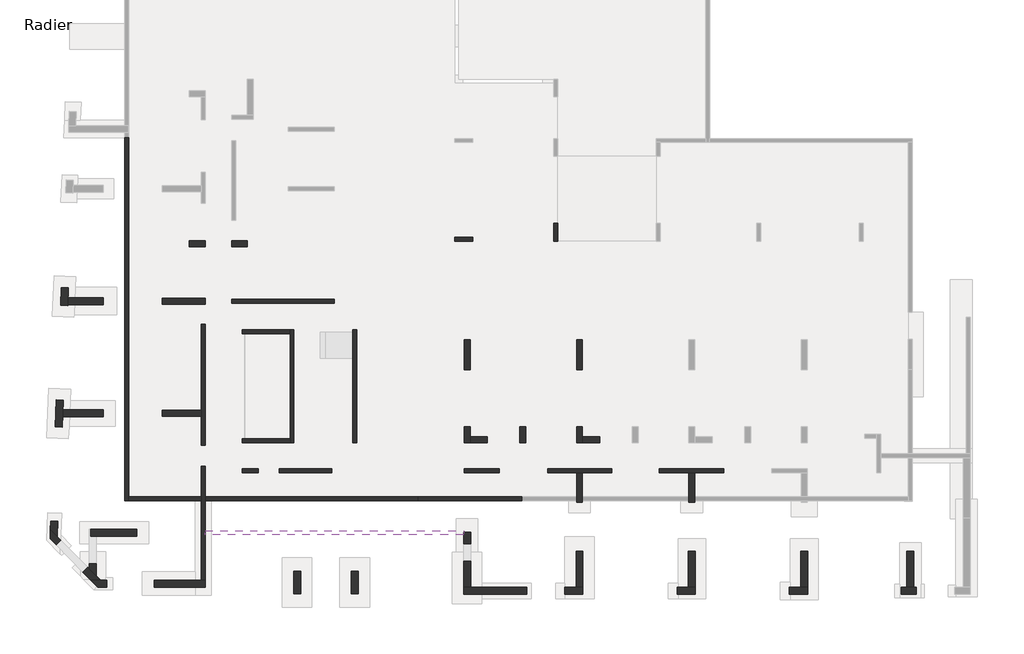
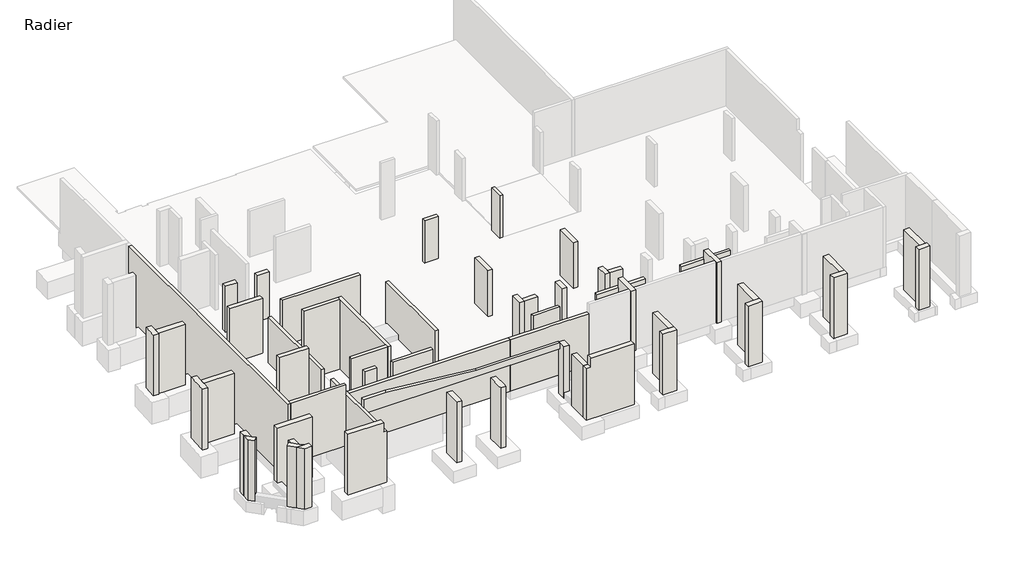
# One storey, part 1 of 4: 56 walls.
"""IFC4 building model written with IfcOpenShell, lengths in millimetres."""

import ifcopenshell
import ifcopenshell.guid

model = None  # the IFC model being written
_history = None  # IfcOwnerHistory: only IFC2X3 demands one
_inside = {}  # id of a spatial element -> (the spatial element, [elements in it])
_under = {}  # id of a project, library or spatial element -> (it, [spatial elements below it])
_declared = {}  # id of a project -> (the project, [libraries it declares])
_typed = {}  # id of a type object -> (the type object, [elements of that type])
_made_of = {}  # id of a material, layer set ... -> (it, [elements and type objects made of it])


def new_model(schema):
    """Start an empty IFC model of exactly this schema.

    Asked for "IFC4X3", IfcOpenShell would pick the latest addendum, in which some entities
    have other attributes; the version numbers below select the first issue.
    IFC2X3 requires an IfcOwnerHistory on every rooted entity: one is made here for all.
    """
    global model, _history
    if schema == "IFC4X3":
        model = ifcopenshell.file(schema_version=(4, 3, 0, 0))
    else:
        model = ifcopenshell.file(schema=schema)
    _inside.clear()
    _under.clear()
    _declared.clear()
    _typed.clear()
    _made_of.clear()
    _history = None
    if model.schema == "IFC2X3":
        org = make("IfcOrganization", Name="unknown")
        user = make(
            "IfcPersonAndOrganization",
            ThePerson=make("IfcPerson", FamilyName="unknown"),
            TheOrganization=org,
        )
        app = make(
            "IfcApplication",
            ApplicationDeveloper=org,
            Version="unknown",
            ApplicationFullName="unknown",
            ApplicationIdentifier="unknown",
        )
        _history = make(
            "IfcOwnerHistory",
            OwningUser=user,
            OwningApplication=app,
            ChangeAction="ADDED",
            CreationDate=0,
        )
    return model


def make(cls, **values):
    """One entity of the class cls with the attributes given. An attribute that is None is left unset."""
    return model.create_entity(
        cls, **{name: value for name, value in values.items() if value is not None}
    )


def rooted(cls, **values):
    """An entity with a GlobalId (a new one), such as an element, a storey or a relation."""
    return make(cls, GlobalId=ifcopenshell.guid.new(), OwnerHistory=_history, **values)


def si_unit(unit_type, name, prefix=None):
    """IfcSIUnit, for example si_unit("LENGTHUNIT", "METRE", prefix="MILLI")."""
    return make("IfcSIUnit", UnitType=unit_type, Prefix=prefix, Name=name)


def assignment(units):
    """IfcUnitAssignment: the units of a project."""
    return None if units is None else make("IfcUnitAssignment", Units=units)


def point(xyz):
    """IfcCartesianPoint."""
    return None if xyz is None else make("IfcCartesianPoint", Coordinates=xyz)


def direction(xyz):
    """IfcDirection."""
    return None if xyz is None else make("IfcDirection", DirectionRatios=xyz)


def frame(location, z_axis=None, x_axis=None):
    """IfcAxis2Placement3D, a coordinate frame: its origin and axes. An axis left out is left unset."""
    return make(
        "IfcAxis2Placement3D",
        Location=point(location),
        Axis=direction(z_axis),
        RefDirection=direction(x_axis),
    )


def origin():
    """The frame at (0, 0, 0) with its axes left unset."""
    return frame((0.0, 0.0, 0.0))


def place(relative_to, where):
    """IfcLocalPlacement: puts the frame where relative to a parent placement (None: the world)."""
    return make(
        "IfcLocalPlacement", PlacementRelTo=relative_to, RelativePlacement=where
    )


def context(
    kind, dimensions, precision=None, world=None, true_north=None, identifier=None
):
    """IfcGeometricRepresentationContext, for example the 3D "Model" context."""
    return make(
        "IfcGeometricRepresentationContext",
        ContextIdentifier=identifier,
        ContextType=kind,
        CoordinateSpaceDimension=dimensions,
        Precision=precision,
        WorldCoordinateSystem=world,
        TrueNorth=true_north,
    )


def project(units=None, contexts=None):
    """IfcProject with its units and contexts."""
    return rooted(
        "IfcProject",
        Name="project",
        RepresentationContexts=contexts,
        UnitsInContext=assignment(units),
    )


def spatial(cls, under=None, at=None, **own):
    """A site, building, storey or space (cls), placed at a placement, below another one or the project."""
    s = rooted(cls, ObjectPlacement=at, **own)
    if under is not None:
        _under.setdefault(under.id(), (under, []))[1].append(s)
    return s


def polyline(points):
    """IfcPolyline through the points."""
    return make("IfcPolyline", Points=[point(p) for p in points])


def outline(outer, holes=None, kind="AREA"):
    """IfcArbitraryClosedProfileDef: a profile drawn as a closed curve; with holes, ...WithVoids."""
    if holes is None:
        return make("IfcArbitraryClosedProfileDef", ProfileType=kind, OuterCurve=outer)
    return make(
        "IfcArbitraryProfileDefWithVoids",
        ProfileType=kind,
        OuterCurve=outer,
        InnerCurves=holes,
    )


def extrude(swept, where, along, depth):
    """IfcExtrudedAreaSolid: the profile swept, set in the frame where, extruded along a direction by depth."""
    return make(
        "IfcExtrudedAreaSolid",
        SweptArea=swept,
        Position=where,
        ExtrudedDirection=direction(along),
        Depth=depth,
    )


def faces_of(points, faces, orient=None, outer=None):
    """IfcFace entities. A face is a list of loops; a loop is a list of indices into points, from 0.

    orient and outer hold one flag for each loop. By default every Orientation is true, the
    first loop of a face is its IfcFaceOuterBound and the others are IfcFaceBound.
    """
    made = []
    for i, loops in enumerate(faces):
        bounds = []
        for j, loop in enumerate(loops):
            is_outer = j == 0 if outer is None else outer[i][j]
            bounds.append(
                make(
                    "IfcFaceOuterBound" if is_outer else "IfcFaceBound",
                    Bound=make("IfcPolyLoop", Polygon=[points[k] for k in loop]),
                    Orientation=True if orient is None else orient[i][j],
                )
            )
        made.append(make("IfcFace", Bounds=bounds))
    return made


def faceted_brep(points, faces, orient=None, outer=None, voids=None):
    """IfcFacetedBrep: a solid bounded by flat faces; with voids (closed shells), ...WithVoids."""
    shared = [point(p) for p in points]
    hull = make("IfcClosedShell", CfsFaces=faces_of(shared, faces, orient, outer))
    if voids is None:
        return make("IfcFacetedBrep", Outer=hull)
    return make(
        "IfcFacetedBrepWithVoids",
        Outer=hull,
        Voids=[
            make(cls, CfsFaces=faces_of(shared, fs, o, b)) for cls, fs, o, b in voids
        ],
    )


def shape(context_of_items, identifier, shape_type, items):
    """IfcShapeRepresentation: the items that make up one representation, for example the "Body"."""
    return make(
        "IfcShapeRepresentation",
        ContextOfItems=context_of_items,
        RepresentationIdentifier=identifier,
        RepresentationType=shape_type,
        Items=items,
    )


def made_of(thing, what):
    """Note that an element or type object is made of a material, layer set ...; save() writes the relation."""
    if what is not None:
        _made_of.setdefault(what.id(), (what, []))[1].append(thing)
    return thing


def element(
    cls,
    number,
    at=None,
    inside=None,
    cuts=None,
    type_object=None,
    material=None,
    context=None,
    identifier="Body",
    shape_type=None,
    held_by="IfcProductDefinitionShape",
    body=None,
    shapes=None,
    **own,
):
    """One element of the class cls, such as IfcWall. Its Tag is "e" and its number.

    at: its placement. inside: the storey or other place that contains it. cuts: it is an
    opening in that element (IfcRelVoidsElement). A single representation is given by context,
    identifier, shape_type and body (its items); several are given by shapes. held_by: the class
    of the entity that holds the representations. save() writes the other relations.
    """
    e = rooted(cls, Tag="e%d" % number, ObjectPlacement=at, **own)
    if body is not None:
        shapes = [shape(context, identifier, shape_type, body)]
    if shapes is not None:
        e.Representation = make(held_by, Representations=shapes)
    if inside is not None:
        _inside.setdefault(inside.id(), (inside, []))[1].append(e)
    if cuts is not None:
        rooted(
            "IfcRelVoidsElement", RelatingBuildingElement=cuts, RelatedOpeningElement=e
        )
    if type_object is not None:
        _typed.setdefault(type_object.id(), (type_object, []))[1].append(e)
    return made_of(e, material)


def aggregate(whole, parts):
    """IfcRelAggregates: a whole, such as a stair, and the parts it consists of."""
    return rooted("IfcRelAggregates", RelatingObject=whole, RelatedObjects=parts)


def save(model, path):
    """Write the relations noted so far, then the file.

    IfcRelAggregates (storeys below a building ...), IfcRelContainedInSpatialStructure (elements
    in a storey), IfcRelDefinesByType, IfcRelAssociatesMaterial and IfcRelDeclares: one each for
    every whole, place, type object, material and project.
    """
    for whole, parts in _under.values():
        aggregate(whole, parts)
    for where, things in _inside.values():
        rooted(
            "IfcRelContainedInSpatialStructure",
            RelatedElements=things,
            RelatingStructure=where,
        )
    for kind, things in _typed.values():
        rooted("IfcRelDefinesByType", RelatedObjects=things, RelatingType=kind)
    for what, things in _made_of.values():
        rooted("IfcRelAssociatesMaterial", RelatedObjects=things, RelatingMaterial=what)
    for by, libraries in _declared.values():
        rooted("IfcRelDeclares", RelatingContext=by, RelatedDefinitions=libraries)
    model.write(path)


model = new_model("IFC4")

# Units and contexts
model_context = context("Model", 3, world=origin())
ifc_project = project(units=[si_unit("LENGTHUNIT", "METRE", prefix="MILLI")], contexts=[model_context])

# Site, building, storey
site = spatial("IfcSite", under=ifc_project)
building = spatial("IfcBuilding", under=site)
storey = spatial("IfcBuildingStorey", under=building, Name="Radier", Elevation=-3900.0)

# Walls
placement = place(None, origin())
element("IfcWall", 1, ObjectType="MHA20", at=placement, inside=storey, context=model_context, shape_type="Brep", body=[
    faceted_brep([(-36735.6912908, -18724.0672499, -4300.0), (-36735.6912908, -12949.0672499, -4300.0), (-36735.6912908, -12949.0672499, -4050.0), (-36735.6912908, -12949.0672499, -670.0), (-36735.6912908, -18724.0672499, -670.0), (-36935.6912908, -18724.0672499, -4300.0), (-36935.6912908, -18724.0672499, -670.0), (-36935.6912908, -12949.0672499, -670.0), (-36935.6912908, -12949.0672499, -4050.0), (-36935.6912908, -12949.0672499, -4300.0)], [[[0, 1, 2, 3, 4]], [[5, 6, 7, 8, 9]], [[1, 0, 5, 9]], [[3, 2, 1, 9, 8, 7]], [[4, 3, 7, 6]], [[0, 4, 6, 5]]]),
])
element("IfcWall", 2, ObjectType="MHA20", at=placement, inside=storey, context=model_context, shape_type="Brep", body=[
    faceted_brep([(-10470.6912908, -13079.0672499, -4300.0), (-13740.6912908, -13079.0672499, -4300.0), (-13740.6912908, -13079.0672499, -670.0), (-10470.6912908, -13079.0672499, -670.0), (-10470.6912908, -13279.0672499, -4300.0), (-10470.6912908, -13279.0672499, -670.0), (-13740.6912908, -13279.0672499, -670.0), (-13740.6912908, -13279.0672499, -4300.0), (-12245.6912908, -13279.0672499, -4300.0), (-11945.6912908, -13279.0672499, -4300.0)], [[[0, 1, 2, 3]], [[4, 5, 6, 7, 8, 9]], [[1, 0, 4, 9, 8, 7]], [[2, 1, 7, 6]], [[3, 2, 6, 5]], [[0, 3, 5, 4]]]),
])
element("IfcWall", 3, ObjectType="MHA20", at=placement, inside=storey, context=model_context, shape_type="Brep", body=[
    faceted_brep([(-16160.6912908, -13079.0672499, -4300.0), (-19380.6912908, -13079.0672499, -4300.0), (-19380.6912908, -13079.0672499, -670.0), (-16160.6912908, -13079.0672499, -670.0), (-16160.6912908, -13279.0672499, -4300.0), (-16160.6912908, -13279.0672499, -670.0), (-19380.6912908, -13279.0672499, -670.0), (-19380.6912908, -13279.0672499, -4300.0), (-17935.6912908, -13279.0672499, -4300.0), (-17635.6912908, -13279.0672499, -4300.0)], [[[0, 1, 2, 3]], [[4, 5, 6, 7, 8, 9]], [[1, 0, 4, 9, 8, 7]], [[2, 1, 7, 6]], [[3, 2, 6, 5]], [[0, 3, 5, 4]]]),
])
element("IfcWall", 4, ObjectType="MHA20", at=placement, inside=storey, context=model_context, shape_type="SweptSolid", body=[
    extrude(outline(polyline([(-23625.6912908, -13079.0672499), (-21850.6912908, -13079.0672499), (-21850.6912908, -13279.0672499), (-23625.6912908, -13279.0672499), (-23625.6912908, -13079.0672499)])), frame((0.0, 0.0, -4300.0), z_axis=(0.0, 0.0, 1.0), x_axis=(1.0, 0.0, 0.0)), (0.0, 0.0, 1.0), 3630.0),
])
element("IfcWall", 5, ObjectType="MHA20", at=placement, inside=storey, context=model_context, shape_type="Brep", body=[
    faceted_brep([(-30320.6912908, -13079.0672499, -4300.0), (-32995.6912908, -13079.0672499, -4300.0), (-32995.6912908, -13079.0672499, -4050.0), (-32995.6912908, -13079.0672499, -670.0), (-30320.6912908, -13079.0672499, -670.0), (-30320.6912908, -13279.0672499, -4300.0), (-30320.6912908, -13279.0672499, -670.0), (-32995.6912908, -13279.0672499, -670.0), (-32995.6912908, -13279.0672499, -4050.0), (-32995.6912908, -13279.0672499, -4300.0)], [[[0, 1, 2, 3, 4]], [[5, 6, 7, 8, 9]], [[1, 0, 5, 9]], [[3, 2, 1, 9, 8, 7]], [[4, 3, 7, 6]], [[0, 4, 6, 5]]]),
])
element("IfcWall", 6, ObjectType="MHA20", at=placement, inside=storey, context=model_context, shape_type="Brep", body=[
    faceted_brep([(-34865.6912908, -13279.0672499, -4300.0), (-34055.6912908, -13279.0672499, -4300.0), (-34055.6912908, -13279.0672499, -4050.0), (-34055.6912908, -13279.0672499, -670.0), (-34865.6912908, -13279.0672499, -670.0), (-34865.6912908, -13079.0672499, -4300.0), (-34865.6912908, -13079.0672499, -670.0), (-34055.6912908, -13079.0672499, -670.0), (-34055.6912908, -13079.0672499, -4050.0), (-34055.6912908, -13079.0672499, -4300.0)], [[[0, 1, 2, 3, 4]], [[5, 6, 7, 8, 9]], [[1, 0, 5, 9]], [[3, 2, 1, 9, 8, 7]], [[4, 3, 7, 6]], [[0, 4, 6, 5]]]),
])
element("IfcWall", 7, ObjectType="MHA20", at=placement, inside=storey, context=model_context, shape_type="Brep", body=[
    faceted_brep([(-29065.6912908, -11759.0672499, -4300.0), (-29065.6912908, -6039.0672499, -4300.0), (-29065.6912908, -6039.0672499, -1650.0), (-29065.6912908, -6039.0672499, -830.0), (-29065.6912908, -6039.0672499, -670.0), (-29065.6912908, -11759.0672499, -670.0), (-29265.6912908, -11759.0672499, -4300.0), (-29265.6912908, -11759.0672499, -670.0), (-29265.6912908, -6039.0672499, -670.0), (-29265.6912908, -6039.0672499, -830.0), (-29265.6912908, -6039.0672499, -1650.0), (-29265.6912908, -6039.0672499, -4300.0)], [[[0, 1, 2, 3, 4, 5]], [[6, 7, 8, 9, 10, 11]], [[1, 0, 6, 11]], [[4, 3, 2, 1, 11, 10, 9, 8]], [[5, 4, 8, 7]], [[0, 5, 7, 6]]]),
])
element("IfcWall", 8, ObjectType="MHA20", at=placement, inside=storey, context=model_context, shape_type="Brep", body=[
    faceted_brep([(-35405.6912908, -4689.0672499, -4300.0), (-30195.6912908, -4689.0672499, -4300.0), (-30195.6912908, -4689.0672499, -1650.0), (-30195.6912908, -4689.0672499, -830.0), (-30195.6912908, -4689.0672499, -670.0), (-35405.6912908, -4689.0672499, -670.0), (-35405.6912908, -4689.0672499, -4050.0), (-35405.6912908, -4489.0672499, -4300.0), (-35405.6912908, -4489.0672499, -4050.0), (-35405.6912908, -4489.0672499, -670.0), (-30195.6912908, -4489.0672499, -670.0), (-30195.6912908, -4489.0672499, -830.0), (-30195.6912908, -4489.0672499, -1650.0), (-30195.6912908, -4489.0672499, -4300.0)], [[[0, 1, 2, 3, 4, 5, 6]], [[7, 8, 9, 10, 11, 12, 13]], [[1, 0, 7, 13]], [[4, 3, 2, 1, 13, 12, 11, 10]], [[5, 4, 10, 9]], [[0, 6, 5, 9, 8, 7]]]),
])
element("IfcWall", 9, ObjectType="MHA20", at=placement, inside=storey, context=model_context, shape_type="Brep", body=[
    faceted_brep([(-32245.6912908, -11759.0672499, -5800.0), (-32245.6912908, -6044.0672499, -5800.0), (-32245.6912908, -6044.0672499, -670.0), (-32245.6912908, -11759.0672499, -670.0), (-32445.6912908, -11759.0672499, -5800.0), (-32445.6912908, -11759.0672499, -670.0), (-32445.6912908, -11559.0672499, -670.0), (-32445.6912908, -6244.0672499, -670.0), (-32445.6912908, -6044.0672499, -670.0), (-32445.6912908, -6044.0672499, -5800.0), (-32445.6912908, -6244.0672499, -5800.0), (-32445.6912908, -11559.0672499, -5800.0)], [[[0, 1, 2, 3]], [[4, 5, 6, 7, 8, 9, 10, 11]], [[1, 0, 4, 11, 10, 9]], [[3, 2, 8, 7, 6, 5]], [[0, 3, 5, 4]], [[2, 1, 9, 8]]]),
])
element("IfcWall", 10, ObjectType="MHA20", at=placement, inside=storey, context=model_context, shape_type="Brep", body=[
    faceted_brep([(-34865.6912908, -11759.0672499, -5800.0), (-32445.6912908, -11759.0672499, -5800.0), (-32445.6912908, -11759.0672499, -670.0), (-34865.6912908, -11759.0672499, -670.0), (-34865.6912908, -11759.0672499, -4050.0), (-34865.6912908, -11559.0672499, -5800.0), (-34865.6912908, -11559.0672499, -4050.0), (-34865.6912908, -11559.0672499, -670.0), (-32445.6912908, -11559.0672499, -670.0), (-32445.6912908, -11559.0672499, -5800.0), (-34745.6912908, -11559.0672499, -5800.0)], [[[0, 1, 2, 3, 4]], [[5, 6, 7, 8, 9, 10]], [[1, 0, 5, 10, 9]], [[3, 2, 8, 7]], [[0, 4, 3, 7, 6, 5]], [[2, 1, 9, 8]]]),
])
element("IfcWall", 11, ObjectType="MHA20", at=placement, inside=storey, context=model_context, shape_type="Brep", body=[
    faceted_brep([(-34865.6912908, -6244.0672499, -5800.0), (-34745.6912908, -6244.0672499, -5800.0), (-32445.6912908, -6244.0672499, -5800.0), (-32445.6912908, -6244.0672499, -670.0), (-34865.6912908, -6244.0672499, -670.0), (-34865.6912908, -6244.0672499, -4050.0), (-34865.6912908, -6044.0672499, -5800.0), (-34865.6912908, -6044.0672499, -4050.0), (-34865.6912908, -6044.0672499, -670.0), (-32445.6912908, -6044.0672499, -670.0), (-32445.6912908, -6044.0672499, -5800.0)], [[[0, 1, 2, 3, 4, 5]], [[6, 7, 8, 9, 10]], [[2, 1, 0, 6, 10]], [[4, 3, 9, 8]], [[0, 5, 4, 8, 7, 6]], [[3, 2, 10, 9]]]),
])
element("IfcWall", 12, ObjectType="MHA20", at=placement, inside=storey, context=model_context, shape_type="Brep", body=[
    faceted_brep([(-36735.6912908, -11889.0672499, -4300.0), (-36735.6912908, -5774.0672499, -4300.0), (-36735.6912908, -5774.0672499, -670.0), (-36735.6912908, -11889.0672499, -670.0), (-36735.6912908, -11889.0672499, -4050.0), (-36935.6912908, -11889.0672499, -4300.0), (-36935.6912908, -11889.0672499, -4050.0), (-36935.6912908, -11889.0672499, -670.0), (-36935.6912908, -5774.0672499, -670.0), (-36935.6912908, -5774.0672499, -4300.0), (-36935.6912908, -10129.0672499, -4300.0), (-36935.6912908, -10429.0672499, -4300.0)], [[[0, 1, 2, 3, 4]], [[5, 6, 7, 8, 9, 10, 11]], [[1, 0, 5, 11, 10, 9]], [[2, 1, 9, 8]], [[3, 2, 8, 7]], [[0, 4, 3, 7, 6, 5]]]),
])
element("IfcWall", 13, ObjectType="MHA20", at=placement, inside=storey, context=model_context, shape_type="SweptSolid", body=[
    extrude(outline(polyline([(-40605.6912908, 3675.9327501), (-40605.6912908, -14699.0672499), (-40805.6912908, -14699.0672499), (-40805.6912908, 3675.9327501), (-40605.6912908, 3675.9327501)])), frame((0.0, 0.0, -5400.0), z_axis=(0.0, 0.0, 1.0), x_axis=(1.0, 0.0, 0.0)), (0.0, 0.0, 1.0), 5380.0),
])
element("IfcWall", 14, ObjectType="MHA20", at=placement, inside=storey, context=model_context, shape_type="SweptSolid", body=[
    extrude(outline(polyline([(-36935.6912908, -14699.0672499), (-40605.6912908, -14699.0672499), (-40605.6912908, -14499.0672499), (-36935.6912908, -14499.0672499), (-36935.6912908, -14699.0672499)])), frame((0.0, 0.0, -4300.0), z_axis=(0.0, 0.0, 1.0), x_axis=(1.0, 0.0, 0.0)), (0.0, 0.0, 1.0), 4280.0),
])
element("IfcWall", 15, ObjectType="MHA20", at=placement, inside=storey, context=model_context, shape_type="Brep", body=[
    faceted_brep([(-25975.6912908, -14699.0672499, -4300.0), (-20715.6912908, -14699.0672499, -4300.0), (-20715.6912908, -14699.0672499, -670.0), (-23300.6912908, -14699.0672499, -670.0), (-23650.6912908, -14699.0672499, -670.0), (-25975.6912908, -14699.0672499, -670.0), (-25975.6912908, -14499.0672499, -4300.0), (-25975.6912908, -14499.0672499, -670.0), (-20715.6912908, -14499.0672499, -670.0), (-20715.6912908, -14499.0672499, -4300.0)], [[[0, 1, 2, 3, 4, 5]], [[6, 7, 8, 9]], [[1, 0, 6, 9]], [[2, 1, 9, 8]], [[5, 4, 3, 2, 8, 7]], [[0, 5, 7, 6]]]),
])
element("IfcWall", 16, ObjectType="MHA20", at=placement, inside=storey, context=model_context, shape_type="SweptSolid", body=[
    extrude(outline(polyline([(-25975.6912908, -14699.0672499), (-36735.6912908, -14699.0672499), (-36735.6912908, -14499.0672499), (-25975.6912908, -14499.0672499), (-25975.6912908, -14699.0672499)])), frame((0.0, 0.0, -4300.0), z_axis=(0.0, 0.0, 1.0), x_axis=(1.0, 0.0, 0.0)), (0.0, 0.0, 1.0), 3630.0),
])
element("IfcWall", 17, ObjectType="MHA20", at=placement, inside=storey, context=model_context, shape_type="Brep", body=[
    faceted_brep([(-36735.6912908, -16419.0672499, -80.0), (-36735.6912908, -16419.0672499, -1070.0), (-23650.6912908, -16419.0672499, -1070.0), (-23650.6912908, -16419.0672499, -670.0), (-29190.6912908, -16419.0672499, -670.0), (-35225.6912908, -16419.0672499, -80.0), (-36735.6912908, -16219.0672499, -1070.0), (-36735.6912908, -16219.0672499, -80.0), (-35225.6912908, -16219.0672499, -80.0), (-29190.6912908, -16219.0672499, -670.0), (-23650.6912908, -16219.0672499, -670.0), (-23650.6912908, -16219.0672499, -1070.0), (-23650.6912908, -16289.0672499, -670.0)], [[[0, 1, 2, 3, 4, 5]], [[6, 7, 8, 9, 10, 11]], [[0, 7, 6, 1]], [[2, 1, 6, 11]], [[3, 2, 11, 10, 12]], [[0, 5, 8, 7]], [[4, 3, 12, 10, 9]], [[5, 4, 9, 8]]]),
])
element("IfcWall", 18, ObjectType="MHA20", at=placement, inside=storey, context=model_context, shape_type="Brep", body=[
    faceted_brep([(-19095.6912908, -659.1017012, -4300.0), (-19095.6912908, -1559.1017012, -4300.0), (-19095.6912908, -1559.1017012, -1450.0), (-19095.6912908, -1559.1017012, -900.0), (-19095.6912908, -659.1017012, -900.0), (-19095.6912908, -659.1017012, -1450.0), (-18895.6912908, -659.1017012, -4300.0), (-18895.6912908, -659.1017012, -1450.0), (-18895.6912908, -659.1017012, -900.0), (-18895.6912908, -1559.1017012, -900.0), (-18895.6912908, -1559.1017012, -1450.0), (-18895.6912908, -1559.1017012, -4300.0), (-18895.6912908, -1359.0672499, -4300.0)], [[[0, 1, 2, 3, 4, 5]], [[6, 7, 8, 9, 10, 11, 12]], [[1, 0, 6, 12, 11]], [[3, 2, 1, 11, 10, 9]], [[4, 3, 9, 8]], [[0, 5, 4, 8, 7, 6]]]),
])
element("IfcWall", 19, ObjectType="MHA20", at=placement, inside=storey, context=model_context, shape_type="Brep", body=[
    faceted_brep([(-24095.725742, -1559.1017012, -4300.0), (-23195.725742, -1559.1017012, -4300.0), (-23195.725742, -1559.1017012, -1450.0), (-23195.725742, -1559.1017012, -900.0), (-24095.725742, -1559.1017012, -900.0), (-24095.725742, -1559.1017012, -1450.0), (-24095.725742, -1359.1017012, -4300.0), (-24095.725742, -1359.1017012, -1450.0), (-24095.725742, -1359.1017012, -900.0), (-23195.725742, -1359.1017012, -900.0), (-23195.725742, -1359.1017012, -1450.0), (-23195.725742, -1359.1017012, -4300.0)], [[[0, 1, 2, 3, 4, 5]], [[6, 7, 8, 9, 10, 11]], [[1, 0, 6, 11]], [[3, 2, 1, 11, 10, 9]], [[4, 3, 9, 8]], [[0, 5, 4, 8, 7, 6]]]),
])
element("IfcWall", 20, ObjectType="MHA30", at=placement, inside=storey, context=model_context, shape_type="SweptSolid", body=[
    extrude(outline(polyline([(-20500.6912908, -10959.0672499), (-20500.6912908, -11759.0672499), (-20800.6912908, -11759.0672499), (-20800.6912908, -10959.0672499), (-20500.6912908, -10959.0672499)])), frame((0.0, 0.0, -4300.0), z_axis=(0.0, 0.0, 1.0), x_axis=(1.0, 0.0, 0.0)), (0.0, 0.0, 1.0), 3630.0),
])
element("IfcWall", 21, ObjectType="MHA30", at=placement, inside=storey, context=model_context, shape_type="Brep", body=[
    faceted_brep([(-35405.6912908, -1844.0672499, -4300.0), (-34605.6912908, -1844.0672499, -4300.0), (-34605.6912908, -1844.0672499, -670.0), (-35405.6912908, -1844.0672499, -670.0), (-35405.6912908, -1844.0672499, -4050.0), (-35405.6912908, -1544.0672499, -4300.0), (-35405.6912908, -1544.0672499, -4050.0), (-35405.6912908, -1544.0672499, -670.0), (-34605.6912908, -1544.0672499, -670.0), (-34605.6912908, -1544.0672499, -4300.0)], [[[0, 1, 2, 3, 4]], [[5, 6, 7, 8, 9]], [[1, 0, 5, 9]], [[2, 1, 9, 8]], [[3, 2, 8, 7]], [[0, 4, 3, 7, 6, 5]]]),
])
element("IfcWall", 22, ObjectType="MHA30", at=placement, inside=storey, context=model_context, shape_type="Brep", body=[
    faceted_brep([(-36735.6912908, -1544.0672499, -4300.0), (-37535.6912908, -1544.0672499, -4300.0), (-37535.6912908, -1544.0672499, -670.0), (-36735.6912908, -1544.0672499, -670.0), (-36735.6912908, -1544.0672499, -820.0), (-36735.6912908, -1544.0672499, -4050.0), (-36735.6912908, -1844.0672499, -4300.0), (-36735.6912908, -1844.0672499, -4050.0), (-36735.6912908, -1844.0672499, -670.0), (-37535.6912908, -1844.0672499, -670.0), (-37535.6912908, -1844.0672499, -4300.0)], [[[0, 1, 2, 3, 4, 5]], [[6, 7, 8, 9, 10]], [[1, 0, 6, 10]], [[2, 1, 10, 9]], [[3, 2, 9, 8]], [[0, 5, 4, 3, 8, 7, 6]]]),
])
element("IfcWall", 23, ObjectType="MHA30", at=placement, inside=storey, context=model_context, shape_type="Brep", body=[
    faceted_brep([(-17635.6912908, -14769.0672499, -4300.0), (-17635.6912908, -13279.0672499, -4300.0), (-17635.6912908, -13279.0672499, -820.0), (-17635.6912908, -13279.0672499, -180.0), (-17635.6912908, -13279.0672499, -20.0), (-17635.6912908, -14769.0672499, -20.0), (-17635.6912908, -14769.0672499, -140.0), (-17635.6912908, -14769.0672499, -820.0), (-17935.6912908, -14769.0672499, -4300.0), (-17935.6912908, -14769.0672499, -820.0), (-17935.6912908, -14769.0672499, -140.0), (-17935.6912908, -14769.0672499, -20.0), (-17935.6912908, -13279.0672499, -20.0), (-17935.6912908, -13279.0672499, -180.0), (-17935.6912908, -13279.0672499, -820.0), (-17935.6912908, -13279.0672499, -4300.0)], [[[0, 1, 2, 3, 4, 5, 6, 7]], [[8, 9, 10, 11, 12, 13, 14, 15]], [[1, 0, 8, 15]], [[5, 4, 12, 11]], [[0, 7, 6, 5, 11, 10, 9, 8]], [[1, 15, 14, 13, 12, 4, 3, 2]]]),
])
element("IfcWall", 24, ObjectType="MHA30", at=placement, inside=storey, context=model_context, shape_type="Brep", body=[
    faceted_brep([(-11945.6912908, -14769.0672499, -4300.0), (-11945.6912908, -13279.0672499, -4300.0), (-11945.6912908, -13279.0672499, -820.0), (-11945.6912908, -13279.0672499, -180.0), (-11945.6912908, -13279.0672499, -20.0), (-11945.6912908, -14769.0672499, -20.0), (-11945.6912908, -14769.0672499, -140.0), (-11945.6912908, -14769.0672499, -820.0), (-12245.6912908, -14769.0672499, -4300.0), (-12245.6912908, -14769.0672499, -820.0), (-12245.6912908, -14769.0672499, -140.0), (-12245.6912908, -14769.0672499, -20.0), (-12245.6912908, -13279.0672499, -20.0), (-12245.6912908, -13279.0672499, -180.0), (-12245.6912908, -13279.0672499, -820.0), (-12245.6912908, -13279.0672499, -4300.0)], [[[0, 1, 2, 3, 4, 5, 6, 7]], [[8, 9, 10, 11, 12, 13, 14, 15]], [[1, 0, 8, 15]], [[5, 4, 12, 11]], [[0, 7, 6, 5, 11, 10, 9, 8]], [[1, 15, 14, 13, 12, 4, 3, 2]]]),
])
element("IfcWall", 25, ObjectType="MHA30", at=placement, inside=storey, context=model_context, shape_type="Brep", body=[
    faceted_brep([(-38905.6912908, -10429.0672499, -4300.0), (-36935.6912908, -10429.0672499, -4300.0), (-36935.6912908, -10429.0672499, -820.0), (-36935.6912908, -10429.0672499, -180.0), (-36935.6912908, -10429.0672499, -20.0), (-38905.6912908, -10429.0672499, -20.0), (-38905.6912908, -10429.0672499, -180.0), (-38905.6912908, -10429.0672499, -820.0), (-38905.6912908, -10129.0672499, -4300.0), (-38905.6912908, -10129.0672499, -820.0), (-38905.6912908, -10129.0672499, -180.0), (-38905.6912908, -10129.0672499, -20.0), (-36935.6912908, -10129.0672499, -20.0), (-36935.6912908, -10129.0672499, -180.0), (-36935.6912908, -10129.0672499, -820.0), (-36935.6912908, -10129.0672499, -4300.0)], [[[0, 1, 2, 3, 4, 5, 6, 7]], [[8, 9, 10, 11, 12, 13, 14, 15]], [[1, 0, 8, 15]], [[5, 4, 12, 11]], [[0, 7, 6, 5, 11, 10, 9, 8]], [[1, 15, 14, 13, 12, 4, 3, 2]]]),
])
element("IfcWall", 26, ObjectType="MHA30", at=placement, inside=storey, context=model_context, shape_type="Brep", body=[
    faceted_brep([(-36735.6912908, -4439.0672499, -4300.0), (-38905.6912908, -4439.0672499, -4300.0), (-38905.6912908, -4439.0672499, -820.0), (-38905.6912908, -4439.0672499, -180.0), (-38905.6912908, -4439.0672499, -20.0), (-36735.6912908, -4439.0672499, -20.0), (-36735.6912908, -4739.0672499, -4300.0), (-36735.6912908, -4739.0672499, -20.0), (-38905.6912908, -4739.0672499, -20.0), (-38905.6912908, -4739.0672499, -180.0), (-38905.6912908, -4739.0672499, -820.0), (-38905.6912908, -4739.0672499, -4300.0), (-36735.6912908, -4489.0672499, -4300.0), (-36735.6912908, -4689.0672499, -4300.0)], [[[0, 1, 2, 3, 4, 5]], [[6, 7, 8, 9, 10, 11]], [[1, 0, 12, 13, 6, 11]], [[4, 3, 2, 1, 11, 10, 9, 8]], [[5, 4, 8, 7]], [[0, 5, 7, 6, 13, 12]]]),
])
element("IfcWall", 27, ObjectType="MHA30", at=placement, inside=storey, context=model_context, shape_type="Brep", body=[
    faceted_brep([(-17935.6912908, -6559.0672499, -4300.0), (-17935.6912908, -8059.0672499, -4300.0), (-17935.6912908, -8059.0672499, -1650.0), (-17935.6912908, -8059.0672499, -830.0), (-17935.6912908, -8059.0672499, -670.0), (-17935.6912908, -6559.0672499, -670.0), (-17935.6912908, -6559.0672499, -830.0), (-17935.6912908, -6559.0672499, -1650.0), (-17635.6912908, -6559.0672499, -4300.0), (-17635.6912908, -6559.0672499, -1650.0), (-17635.6912908, -6559.0672499, -830.0), (-17635.6912908, -6559.0672499, -670.0), (-17635.6912908, -8059.0672499, -670.0), (-17635.6912908, -8059.0672499, -830.0), (-17635.6912908, -8059.0672499, -1650.0), (-17635.6912908, -8059.0672499, -4300.0)], [[[0, 1, 2, 3, 4, 5, 6, 7]], [[8, 9, 10, 11, 12, 13, 14, 15]], [[1, 0, 8, 15]], [[4, 3, 2, 1, 15, 14, 13, 12]], [[5, 4, 12, 11]], [[0, 7, 6, 5, 11, 10, 9, 8]]]),
])
element("IfcWall", 28, ObjectType="MHA30", at=placement, inside=storey, context=model_context, shape_type="Brep", body=[
    faceted_brep([(-17935.6912908, -10959.0672499, -4300.0), (-17935.6912908, -11759.0672499, -4300.0), (-17935.6912908, -11759.0672499, -670.0), (-17935.6912908, -10959.0672499, -670.0), (-17935.6912908, -10959.0672499, -830.0), (-17935.6912908, -10959.0672499, -1650.0), (-17635.6912908, -10959.0672499, -4300.0), (-17635.6912908, -10959.0672499, -1650.0), (-17635.6912908, -10959.0672499, -830.0), (-17635.6912908, -10959.0672499, -670.0), (-17635.6912908, -11459.0672499, -670.0), (-17635.6912908, -11759.0672499, -670.0), (-17635.6912908, -11759.0672499, -4300.0), (-17635.6912908, -11459.0672499, -4300.0)], [[[0, 1, 2, 3, 4, 5]], [[6, 7, 8, 9, 10, 11, 12, 13]], [[1, 0, 6, 13, 12]], [[3, 2, 11, 10, 9]], [[0, 5, 4, 3, 9, 8, 7, 6]], [[2, 1, 12, 11]]]),
])
element("IfcWall", 29, ObjectType="MHA30", at=placement, inside=storey, context=model_context, shape_type="Brep", body=[
    faceted_brep([(-23625.6912908, -6559.0672499, -4300.0), (-23625.6912908, -8059.0672499, -4300.0), (-23625.6912908, -8059.0672499, -1650.0), (-23625.6912908, -8059.0672499, -830.0), (-23625.6912908, -8059.0672499, -670.0), (-23625.6912908, -6559.0672499, -670.0), (-23625.6912908, -6559.0672499, -830.0), (-23625.6912908, -6559.0672499, -1650.0), (-23325.6912908, -6559.0672499, -4300.0), (-23325.6912908, -6559.0672499, -1650.0), (-23325.6912908, -6559.0672499, -830.0), (-23325.6912908, -6559.0672499, -670.0), (-23325.6912908, -8059.0672499, -670.0), (-23325.6912908, -8059.0672499, -830.0), (-23325.6912908, -8059.0672499, -1650.0), (-23325.6912908, -8059.0672499, -4300.0)], [[[0, 1, 2, 3, 4, 5, 6, 7]], [[8, 9, 10, 11, 12, 13, 14, 15]], [[1, 0, 8, 15]], [[4, 3, 2, 1, 15, 14, 13, 12]], [[5, 4, 12, 11]], [[0, 7, 6, 5, 11, 10, 9, 8]]]),
])
element("IfcWall", 30, ObjectType="MHA30", at=placement, inside=storey, context=model_context, shape_type="Brep", body=[
    faceted_brep([(-23625.6912908, -10959.0672499, -4300.0), (-23625.6912908, -11759.0672499, -4300.0), (-23625.6912908, -11759.0672499, -1650.0), (-23625.6912908, -11759.0672499, -830.0), (-23625.6912908, -11759.0672499, -670.0), (-23625.6912908, -10959.0672499, -670.0), (-23625.6912908, -10959.0672499, -830.0), (-23625.6912908, -10959.0672499, -1650.0), (-23325.6912908, -10959.0672499, -4300.0), (-23325.6912908, -10959.0672499, -1650.0), (-23325.6912908, -10959.0672499, -830.0), (-23325.6912908, -10959.0672499, -670.0), (-23325.6912908, -11459.0672499, -670.0), (-23325.6912908, -11759.0672499, -670.0), (-23325.6912908, -11759.0672499, -4300.0), (-23325.6912908, -11459.0672499, -4300.0)], [[[0, 1, 2, 3, 4, 5, 6, 7]], [[8, 9, 10, 11, 12, 13, 14, 15]], [[1, 0, 8, 15, 14]], [[5, 4, 13, 12, 11]], [[0, 7, 6, 5, 11, 10, 9, 8]], [[4, 3, 2, 1, 14, 13]]]),
])
element("IfcWall", 31, ObjectType="MHA30", at=placement, inside=storey, context=model_context, shape_type="SweptSolid", body=[
    extrude(outline(polyline([(-23325.6912908, -11459.0672499), (-22450.6912908, -11459.0672499), (-22450.6912908, -11759.0672499), (-23325.6912908, -11759.0672499), (-23325.6912908, -11459.0672499)])), frame((0.0, 0.0, -4300.0), z_axis=(0.0, 0.0, 1.0), x_axis=(1.0, 0.0, 0.0)), (0.0, 0.0, 1.0), 3630.0),
])
element("IfcWall", 32, ObjectType="MHA30", at=placement, inside=storey, context=model_context, shape_type="SweptSolid", body=[
    extrude(outline(polyline([(-17635.6912908, -11459.0672499), (-16760.6912908, -11459.0672499), (-16760.6912908, -11759.0672499), (-17635.6912908, -11759.0672499), (-17635.6912908, -11459.0672499)])), frame((0.0, 0.0, -4300.0), z_axis=(0.0, 0.0, 1.0), x_axis=(1.0, 0.0, 0.0)), (0.0, 0.0, 1.0), 3630.0),
])
element("IfcWall", 33, ObjectType="MHA35", at=placement, inside=storey, context=model_context, shape_type="Brep", body=[
    faceted_brep([(-6230.6912908, -19094.0672499, -4300.0), (-6230.6912908, -17269.0672499, -4300.0), (-6230.6912908, -17269.0672499, -820.0), (-6230.6912908, -17269.0672499, -140.0), (-6230.6912908, -17269.0672499, -20.0), (-6230.6912908, -19094.0672499, -20.0), (-6580.6912908, -19094.0672499, -4300.0), (-6580.6912908, -19094.0672499, -20.0), (-6580.6912908, -17269.0672499, -20.0), (-6580.6912908, -17269.0672499, -140.0), (-6580.6912908, -17269.0672499, -820.0), (-6580.6912908, -17269.0672499, -4300.0)], [[[0, 1, 2, 3, 4, 5]], [[6, 7, 8, 9, 10, 11]], [[1, 0, 6, 11]], [[4, 3, 2, 1, 11, 10, 9, 8]], [[5, 4, 8, 7]], [[0, 5, 7, 6]]]),
])
element("IfcWall", 34, ObjectType="MHA35", at=placement, inside=storey, context=model_context, shape_type="Brep", body=[
    faceted_brep([(-850.6912908, -19094.0672499, -4300.0), (-850.6912908, -17269.0672499, -4300.0), (-850.6912908, -17269.0672499, -820.0), (-850.6912908, -17269.0672499, -140.0), (-850.6912908, -17269.0672499, -20.0), (-850.6912908, -19094.0672499, -20.0), (-1200.6912908, -19094.0672499, -4300.0), (-1200.6912908, -19094.0672499, -20.0), (-1200.6912908, -17269.0672499, -20.0), (-1200.6912908, -17269.0672499, -140.0), (-1200.6912908, -17269.0672499, -820.0), (-1200.6912908, -17269.0672499, -4300.0)], [[[0, 1, 2, 3, 4, 5]], [[6, 7, 8, 9, 10, 11]], [[1, 0, 6, 11]], [[4, 3, 2, 1, 11, 10, 9, 8]], [[5, 4, 8, 7]], [[0, 5, 7, 6]]]),
])
element("IfcWall", 35, ObjectType="MHA35", at=placement, inside=storey, context=model_context, shape_type="Brep", body=[
    faceted_brep([(-11920.6912908, -19094.0672499, -4300.0), (-11920.6912908, -17269.0672499, -4300.0), (-11920.6912908, -17269.0672499, -820.0), (-11920.6912908, -17269.0672499, -140.0), (-11920.6912908, -17269.0672499, -20.0), (-11920.6912908, -19094.0672499, -20.0), (-12270.6912908, -19094.0672499, -4300.0), (-12270.6912908, -19094.0672499, -20.0), (-12270.6912908, -17269.0672499, -20.0), (-12270.6912908, -17269.0672499, -140.0), (-12270.6912908, -17269.0672499, -820.0), (-12270.6912908, -17269.0672499, -4300.0)], [[[0, 1, 2, 3, 4, 5]], [[6, 7, 8, 9, 10, 11]], [[1, 0, 6, 11]], [[4, 3, 2, 1, 11, 10, 9, 8]], [[5, 4, 8, 7]], [[0, 5, 7, 6]]]),
])
element("IfcWall", 36, ObjectType="MHA35", at=placement, inside=storey, context=model_context, shape_type="Brep", body=[
    faceted_brep([(-17610.6912908, -19094.0672499, -4300.0), (-17610.6912908, -17269.0672499, -4300.0), (-17610.6912908, -17269.0672499, -820.0), (-17610.6912908, -17269.0672499, -140.0), (-17610.6912908, -17269.0672499, -20.0), (-17610.6912908, -19094.0672499, -20.0), (-17960.6912908, -19094.0672499, -4300.0), (-17960.6912908, -19094.0672499, -20.0), (-17960.6912908, -17269.0672499, -20.0), (-17960.6912908, -17269.0672499, -140.0), (-17960.6912908, -17269.0672499, -820.0), (-17960.6912908, -17269.0672499, -4300.0)], [[[0, 1, 2, 3, 4, 5]], [[6, 7, 8, 9, 10, 11]], [[1, 0, 6, 11]], [[4, 3, 2, 1, 11, 10, 9, 8]], [[5, 4, 8, 7]], [[0, 5, 7, 6]]]),
])
element("IfcWall", 37, ObjectType="MHA35", at=placement, inside=storey, context=model_context, shape_type="Brep", body=[
    faceted_brep([(-23300.6912908, -19094.0672499, -4300.0), (-23300.6912908, -17759.0672499, -4300.0), (-23300.6912908, -17759.0672499, -3900.0), (-23300.6912908, -17759.0672499, -1470.0), (-23300.6912908, -17759.0672499, -670.0), (-23300.6912908, -19094.0672499, -670.0), (-23650.6912908, -19094.0672499, -4300.0), (-23650.6912908, -19094.0672499, -670.0), (-23650.6912908, -17759.0672499, -670.0), (-23650.6912908, -17759.0672499, -1470.0), (-23650.6912908, -17759.0672499, -3900.0), (-23650.6912908, -17759.0672499, -4300.0), (-23325.6912908, -19094.0672499, -670.0)], [[[0, 1, 2, 3, 4, 5]], [[6, 7, 8, 9, 10, 11]], [[1, 0, 6, 11]], [[4, 3, 2, 1, 11, 10, 9, 8]], [[5, 4, 8, 7, 12]], [[0, 5, 12, 7, 6]]]),
])
element("IfcWall", 38, ObjectType="MHA35", at=placement, inside=storey, context=model_context, shape_type="Brep", body=[
    faceted_brep([(-28990.6912908, -19419.0672499, -4300.0), (-28990.6912908, -18269.0672499, -4300.0), (-28990.6912908, -18269.0672499, -20.0), (-28990.6912908, -19219.0672499, -20.0), (-28990.6912908, -19419.0672499, -20.0), (-28990.6912908, -19419.0672499, -420.0), (-29340.6912908, -19419.0672499, -4300.0), (-29340.6912908, -19419.0672499, -420.0), (-29340.6912908, -19419.0672499, -20.0), (-29340.6912908, -19219.0672499, -20.0), (-29340.6912908, -18269.0672499, -20.0), (-29340.6912908, -18269.0672499, -4300.0)], [[[0, 1, 2, 3, 4, 5]], [[6, 7, 8, 9, 10, 11]], [[1, 0, 6, 11]], [[2, 1, 11, 10]], [[4, 3, 2, 10, 9, 8]], [[0, 5, 4, 8, 7, 6]]]),
])
element("IfcWall", 39, ObjectType="MHA35", at=placement, inside=storey, context=model_context, shape_type="Brep", body=[
    faceted_brep([(-31910.6912908, -19419.0672499, -4300.0), (-31910.6912908, -18269.0672499, -4300.0), (-31910.6912908, -18269.0672499, -20.0), (-31910.6912908, -19219.0672499, -20.0), (-31910.6912908, -19419.0672499, -20.0), (-31910.6912908, -19419.0672499, -420.0), (-32260.6912908, -19419.0672499, -4300.0), (-32260.6912908, -19419.0672499, -420.0), (-32260.6912908, -19419.0672499, -20.0), (-32260.6912908, -19219.0672499, -20.0), (-32260.6912908, -18269.0672499, -20.0), (-32260.6912908, -18269.0672499, -4300.0)], [[[0, 1, 2, 3, 4, 5]], [[6, 7, 8, 9, 10, 11]], [[1, 0, 6, 11]], [[2, 1, 11, 10]], [[4, 3, 2, 10, 9, 8]], [[0, 5, 4, 8, 7, 6]]]),
])
element("IfcWall", 40, ObjectType="MHA35", at=placement, inside=storey, context=model_context, shape_type="Brep", body=[
    faceted_brep([(-43966.1461267, -10454.0672499, -4300.0), (-41905.6912908, -10454.0672499, -4300.0), (-41905.6912908, -10454.0672499, -820.0), (-41905.6912908, -10454.0672499, -140.0), (-41905.6912908, -10454.0672499, -20.0), (-43966.1461267, -10454.0672499, -20.0), (-43950.2684074, -10104.0672499, -4300.0), (-43950.2684074, -10104.0672499, -20.0), (-41905.6912908, -10104.0672499, -20.0), (-41905.6912908, -10104.0672499, -140.0), (-41905.6912908, -10104.0672499, -820.0), (-41905.6912908, -10104.0672499, -4300.0)], [[[0, 1, 2, 3, 4, 5]], [[6, 7, 8, 9, 10, 11]], [[1, 0, 6, 11]], [[4, 3, 2, 1, 11, 10, 9, 8]], [[5, 4, 8, 7]], [[0, 5, 7, 6]]]),
])
element("IfcWall", 41, ObjectType="MHA35", at=placement, inside=storey, context=model_context, shape_type="Brep", body=[
    faceted_brep([(-43708.0197758, -4764.0672499, -4300.0), (-41905.6912908, -4764.0672499, -4300.0), (-41905.6912908, -4764.0672499, -820.0), (-41905.6912908, -4764.0672499, -140.0), (-41905.6912908, -4764.0672499, -20.0), (-43708.0197758, -4764.0672499, -20.0), (-43692.1420565, -4414.0672499, -4300.0), (-43692.1420565, -4414.0672499, -20.0), (-41905.6912908, -4414.0672499, -20.0), (-41905.6912908, -4414.0672499, -140.0), (-41905.6912908, -4414.0672499, -820.0), (-41905.6912908, -4414.0672499, -4300.0)], [[[0, 1, 2, 3, 4, 5]], [[6, 7, 8, 9, 10, 11]], [[1, 0, 6, 11]], [[4, 3, 2, 1, 11, 10, 9, 8]], [[5, 4, 8, 7]], [[0, 5, 7, 6]]]),
])
element("IfcWall", 42, ObjectType="MHA35", at=placement, inside=storey, context=model_context, shape_type="Brep", body=[
    faceted_brep([(-23300.6912908, -16879.0672499, -4300.0), (-23300.6912908, -16289.0672499, -4300.0), (-23300.6912908, -16289.0672499, -1470.0), (-23300.6912908, -16289.0672499, -670.0), (-23300.6912908, -16879.0672499, -670.0), (-23300.6912908, -16879.0672499, -1470.0), (-23300.6912908, -16879.0672499, -3900.0), (-23650.6912908, -16879.0672499, -4300.0), (-23650.6912908, -16879.0672499, -3900.0), (-23650.6912908, -16879.0672499, -1470.0), (-23650.6912908, -16879.0672499, -670.0), (-23650.6912908, -16289.0672499, -670.0), (-23650.6912908, -16289.0672499, -1470.0), (-23650.6912908, -16289.0672499, -4300.0)], [[[0, 1, 2, 3, 4, 5, 6]], [[7, 8, 9, 10, 11, 12, 13]], [[1, 0, 7, 13]], [[3, 2, 1, 13, 12, 11]], [[4, 3, 11, 10]], [[0, 6, 5, 4, 10, 9, 8, 7]]]),
])
element("IfcWall", 43, ObjectType="MHA35", at=placement, inside=storey, context=model_context, shape_type="Brep", body=[
    faceted_brep([(-42250.6912908, -18510.656629, -4300.0), (-42250.6912908, -17889.0672499, -4300.0), (-42250.6912908, -17889.0672499, -3900.0), (-42250.6912908, -17889.0672499, -20.0), (-42250.6912908, -18510.656629, -20.0), (-42600.6912908, -18156.3621628, -4300.0), (-42600.6912908, -18156.3621628, -20.0), (-42600.6912908, -17889.0672499, -20.0), (-42600.6912908, -17889.0672499, -3900.0), (-42600.6912908, -17889.0672499, -4300.0)], [[[0, 1, 2, 3, 4]], [[5, 6, 7, 8, 9]], [[1, 0, 5, 9]], [[3, 2, 1, 9, 8, 7]], [[4, 3, 7, 6]], [[0, 4, 6, 5]]]),
])
element("IfcWall", 44, ObjectType="MHA35", at=placement, inside=storey, context=model_context, shape_type="SweptSolid", body=[
    extrude(outline(polyline([(-40205.6912908, -16494.0672499), (-42525.6912908, -16494.0672499), (-42525.6912908, -16144.0672499), (-40205.6912908, -16144.0672499), (-40205.6912908, -16494.0672499)])), frame((0.0, 0.0, -4300.0), z_axis=(0.0, 0.0, 1.0), x_axis=(1.0, 0.0, 0.0)), (0.0, 0.0, 1.0), 4280.0),
])
element("IfcWall", 45, ObjectType="MHA35", at=placement, inside=storey, context=model_context, shape_type="Brep", body=[
    faceted_brep([(-23650.6912908, -19444.0672499, -4300.0), (-20455.6912908, -19444.0672499, -4300.0), (-20455.6912908, -19444.0672499, -3700.0), (-20455.6912908, -19444.0672499, -420.0), (-20455.6912908, -19444.0672499, -140.0), (-20455.6912908, -19444.0672499, -20.0), (-23325.6912908, -19444.0672499, -20.0), (-23325.6912908, -19444.0672499, -670.0), (-23625.6912908, -19444.0672499, -670.0), (-23650.6912908, -19444.0672499, -670.0), (-23650.6912908, -19094.0672499, -4300.0), (-23650.6912908, -19094.0672499, -670.0), (-23325.6912908, -19094.0672499, -670.0), (-23325.6912908, -19094.0672499, -20.0), (-20715.6912908, -19094.0672499, -20.0), (-20515.6912908, -19094.0672499, -20.0), (-20455.6912908, -19094.0672499, -20.0), (-20455.6912908, -19094.0672499, -3700.0), (-20455.6912908, -19094.0672499, -4300.0), (-23300.6912908, -19094.0672499, -4300.0), (-23325.6912908, -19119.0672499, -20.0), (-23325.6912908, -19419.0672499, -20.0)], [[[0, 1, 2, 3, 4, 5, 6, 7, 8, 9]], [[10, 11, 12, 13, 14, 15, 16, 17, 18, 19]], [[1, 0, 10, 19, 18]], [[5, 4, 3, 2, 1, 18, 17, 16]], [[6, 5, 16, 15, 14, 13, 20, 21]], [[7, 12, 11, 9, 8]], [[0, 9, 11, 10]], [[7, 6, 21, 20, 13, 12]]]),
])
element("IfcWall", 46, ObjectType="MHA35", at=placement, inside=storey, context=model_context, shape_type="Brep", body=[
    faceted_brep([(-7155.6912908, -19444.0672499, -4300.0), (-6230.6912908, -19444.0672499, -4300.0), (-6230.6912908, -19444.0672499, -3700.0), (-6230.6912908, -19444.0672499, -420.0), (-6230.6912908, -19444.0672499, -140.0), (-6230.6912908, -19444.0672499, -20.0), (-7155.6912908, -19444.0672499, -20.0), (-7155.6912908, -19444.0672499, -140.0), (-7155.6912908, -19444.0672499, -420.0), (-7155.6912908, -19444.0672499, -3700.0), (-7155.6912908, -19094.0672499, -4300.0), (-7155.6912908, -19094.0672499, -3700.0), (-7155.6912908, -19094.0672499, -20.0), (-6580.6912908, -19094.0672499, -20.0), (-6230.6912908, -19094.0672499, -20.0), (-6230.6912908, -19094.0672499, -3700.0), (-6230.6912908, -19094.0672499, -4300.0), (-6580.6912908, -19094.0672499, -4300.0)], [[[0, 1, 2, 3, 4, 5, 6, 7, 8, 9]], [[10, 11, 12, 13, 14, 15, 16, 17]], [[1, 0, 10, 17, 16]], [[6, 5, 14, 13, 12]], [[0, 9, 8, 7, 6, 12, 11, 10]], [[5, 4, 3, 2, 1, 16, 15, 14]]]),
])
element("IfcWall", 47, ObjectType="MHA35", at=placement, inside=storey, context=model_context, shape_type="Brep", body=[
    faceted_brep([(-12845.6912908, -19444.0672499, -4300.0), (-11920.6912908, -19444.0672499, -4300.0), (-11920.6912908, -19444.0672499, -3700.0), (-11920.6912908, -19444.0672499, -420.0), (-11920.6912908, -19444.0672499, -140.0), (-11920.6912908, -19444.0672499, -20.0), (-12845.6912908, -19444.0672499, -20.0), (-12845.6912908, -19444.0672499, -140.0), (-12845.6912908, -19444.0672499, -420.0), (-12845.6912908, -19444.0672499, -3700.0), (-12845.6912908, -19094.0672499, -4300.0), (-12845.6912908, -19094.0672499, -3700.0), (-12845.6912908, -19094.0672499, -20.0), (-12270.6912908, -19094.0672499, -20.0), (-11920.6912908, -19094.0672499, -20.0), (-11920.6912908, -19094.0672499, -3700.0), (-11920.6912908, -19094.0672499, -4300.0), (-12270.6912908, -19094.0672499, -4300.0)], [[[0, 1, 2, 3, 4, 5, 6, 7, 8, 9]], [[10, 11, 12, 13, 14, 15, 16, 17]], [[1, 0, 10, 17, 16]], [[6, 5, 14, 13, 12]], [[0, 9, 8, 7, 6, 12, 11, 10]], [[5, 4, 3, 2, 1, 16, 15, 14]]]),
])
element("IfcWall", 48, ObjectType="MHA35", at=placement, inside=storey, context=model_context, shape_type="Brep", body=[
    faceted_brep([(-18535.6912908, -19444.0672499, -4300.0), (-17610.6912908, -19444.0672499, -4300.0), (-17610.6912908, -19444.0672499, -3700.0), (-17610.6912908, -19444.0672499, -420.0), (-17610.6912908, -19444.0672499, -140.0), (-17610.6912908, -19444.0672499, -20.0), (-18535.6912908, -19444.0672499, -20.0), (-18535.6912908, -19444.0672499, -140.0), (-18535.6912908, -19444.0672499, -420.0), (-18535.6912908, -19444.0672499, -3700.0), (-18535.6912908, -19094.0672499, -4300.0), (-18535.6912908, -19094.0672499, -3700.0), (-18535.6912908, -19094.0672499, -20.0), (-17960.6912908, -19094.0672499, -20.0), (-17610.6912908, -19094.0672499, -20.0), (-17610.6912908, -19094.0672499, -3700.0), (-17610.6912908, -19094.0672499, -4300.0), (-17960.6912908, -19094.0672499, -4300.0)], [[[0, 1, 2, 3, 4, 5, 6, 7, 8, 9]], [[10, 11, 12, 13, 14, 15, 16, 17]], [[1, 0, 10, 17, 16]], [[6, 5, 14, 13, 12]], [[0, 9, 8, 7, 6, 12, 11, 10]], [[5, 4, 3, 2, 1, 16, 15, 14]]]),
])
element("IfcWall", 49, ObjectType="MHA35", at=placement, inside=storey, context=model_context, shape_type="Brep", body=[
    faceted_brep([(-1485.6912908, -19444.0672499, -4300.0), (-725.6912908, -19444.0672499, -4300.0), (-725.6912908, -19444.0672499, -3700.0), (-725.6912908, -19444.0672499, -420.0), (-725.6912908, -19444.0672499, -140.0), (-725.6912908, -19444.0672499, -20.0), (-1485.6912908, -19444.0672499, -20.0), (-1485.6912908, -19444.0672499, -140.0), (-1485.6912908, -19444.0672499, -420.0), (-1485.6912908, -19444.0672499, -3700.0), (-1485.6912908, -19094.0672499, -4300.0), (-1485.6912908, -19094.0672499, -3700.0), (-1485.6912908, -19094.0672499, -20.0), (-1200.6912908, -19094.0672499, -20.0), (-850.6912908, -19094.0672499, -20.0), (-725.6912908, -19094.0672499, -20.0), (-725.6912908, -19094.0672499, -3700.0), (-725.6912908, -19094.0672499, -4300.0), (-850.6912908, -19094.0672499, -4300.0), (-1200.6912908, -19094.0672499, -4300.0)], [[[0, 1, 2, 3, 4, 5, 6, 7, 8, 9]], [[10, 11, 12, 13, 14, 15, 16, 17, 18, 19]], [[1, 0, 10, 19, 18, 17]], [[5, 4, 3, 2, 1, 17, 16, 15]], [[6, 5, 15, 14, 13, 12]], [[0, 9, 8, 7, 6, 12, 11, 10]]]),
])
element("IfcWall", 50, ObjectType="MHA35", at=placement, inside=storey, context=model_context, shape_type="Brep", body=[
    faceted_brep([(-43710.7383369, -4823.9937668, -4300.0), (-43708.0197758, -4764.0672499, -4300.0), (-43692.1420565, -4414.0672499, -4300.0), (-43669.7252716, -3919.9235657, -4300.0), (-43669.7252716, -3919.9235657, -3700.0), (-43669.7252716, -3919.9235657, -20.0), (-43692.1420565, -4414.0672499, -20.0), (-43708.0197758, -4764.0672499, -20.0), (-43710.7383369, -4823.9937668, -20.0), (-43710.7383369, -4823.9937668, -3700.0), (-44060.3787462, -4808.1323603, -4300.0), (-44060.3787462, -4808.1323603, -3700.0), (-44060.3787462, -4808.1323603, -420.0), (-44060.3787462, -4808.1323603, -140.0), (-44060.3787462, -4808.1323603, -20.0), (-44019.3656808, -3904.0621592, -20.0), (-44019.3656808, -3904.0621592, -140.0), (-44019.3656808, -3904.0621592, -420.0), (-44019.3656808, -3904.0621592, -3700.0), (-44019.3656808, -3904.0621592, -4300.0)], [[[0, 1, 2, 3, 4, 5, 6, 7, 8, 9]], [[10, 11, 12, 13, 14, 15, 16, 17, 18, 19]], [[3, 2, 1, 0, 10, 19]], [[5, 4, 3, 19, 18, 17, 16, 15]], [[8, 7, 6, 5, 15, 14]], [[0, 9, 8, 14, 13, 12, 11, 10]]]),
])
element("IfcWall", 51, ObjectType="MHA35", at=placement, inside=storey, context=model_context, shape_type="Brep", body=[
    faceted_brep([(-43989.4459083, -10967.6752437, -4300.0), (-43966.1461267, -10454.0672499, -4300.0), (-43950.2684074, -10104.0672499, -4300.0), (-43927.8130145, -9609.0725106, -4300.0), (-43927.8130145, -9609.0725106, -3700.0), (-43927.8130145, -9609.0725106, -20.0), (-43950.2684074, -10104.0672499, -20.0), (-43951.4025302, -10129.0672499, -20.0), (-43965.0120039, -10429.0672499, -20.0), (-43966.1461267, -10454.0672499, -20.0), (-43989.4459083, -10967.6752437, -20.0), (-43989.4459083, -10967.6752437, -3600.0), (-44339.0863176, -10951.8138372, -4300.0), (-44339.0863176, -10951.8138372, -3600.0), (-44339.0863176, -10951.8138372, -420.0), (-44339.0863176, -10951.8138372, -140.0), (-44339.0863176, -10951.8138372, -20.0), (-44277.4534238, -9593.2111041, -20.0), (-44277.4534238, -9593.2111041, -140.0), (-44277.4534238, -9593.2111041, -420.0), (-44277.4534238, -9593.2111041, -3700.0), (-44277.4534238, -9593.2111041, -4300.0)], [[[0, 1, 2, 3, 4, 5, 6, 7, 8, 9, 10, 11]], [[12, 13, 14, 15, 16, 17, 18, 19, 20, 21]], [[3, 2, 1, 0, 12, 21]], [[5, 4, 3, 21, 20, 19, 18, 17]], [[10, 9, 8, 7, 6, 5, 17, 16]], [[0, 11, 10, 16, 15, 14, 13, 12]]]),
])
element("IfcWall", 52, ObjectType="MHA35", at=placement, inside=storey, context=model_context, shape_type="Brep", body=[
    faceted_brep([(-44556.1609951, -15736.892581, -4300.0), (-44575.2454613, -16157.5804035, -4300.0), (-44575.2454613, -16157.5804035, -20.0), (-44556.1609951, -15736.892581, -20.0), (-44556.1609951, -15736.892581, -140.0), (-44556.1609951, -15736.892581, -420.0), (-44556.1609951, -15736.892581, -3600.0), (-44206.5205859, -15752.7539875, -4300.0), (-44206.5205859, -15752.7539875, -3600.0), (-44206.5205859, -15752.7539875, -20.0), (-44240.2681722, -16496.6678316, -20.0), (-44240.2681722, -16496.6678316, -4300.0)], [[[0, 1, 2, 3, 4, 5, 6]], [[7, 8, 9, 10, 11]], [[1, 0, 7, 11]], [[3, 2, 10, 9]], [[0, 6, 5, 4, 3, 9, 8, 7]], [[2, 1, 11, 10]]]),
])
element("IfcWall", 53, ObjectType="MHA35", at=placement, inside=storey, context=model_context, shape_type="Brep", body=[
    faceted_brep([(-42186.0939242, -19074.0672499, -4300.0), (-41735.6912908, -19074.0672499, -4300.0), (-41735.6912908, -19074.0672499, -3300.0), (-41735.6912908, -19074.0672499, -420.0), (-41735.6912908, -19074.0672499, -140.0), (-41735.6912908, -19074.0672499, -20.0), (-42186.0939242, -19074.0672499, -20.0), (-42531.8515121, -18724.0672499, -4300.0), (-42531.8515121, -18724.0672499, -20.0), (-42039.8674579, -18724.0672499, -20.0), (-41735.6912908, -18724.0672499, -20.0), (-41735.6912908, -18724.0672499, -3300.0), (-41735.6912908, -18724.0672499, -4300.0), (-42039.8674579, -18724.0672499, -4300.0)], [[[0, 1, 2, 3, 4, 5, 6]], [[7, 8, 9, 10, 11, 12, 13]], [[1, 0, 7, 13, 12]], [[5, 4, 3, 2, 1, 12, 11, 10]], [[6, 5, 10, 9, 8]], [[0, 6, 8, 7]]]),
])
element("IfcWall", 54, ObjectType="MHA35", at=placement, inside=storey, context=model_context, shape_type="Brep", body=[
    faceted_brep([(-42932.9248767, -18318.0727539, -4300.0), (-42531.8515121, -18724.0672499, -4300.0), (-42531.8515121, -18724.0672499, -20.0), (-42932.9248767, -18318.0727539, -20.0), (-42932.9248767, -18318.0727539, -140.0), (-42932.9248767, -18318.0727539, -420.0), (-42932.9248767, -18318.0727539, -3900.0), (-42683.933067, -18072.0990181, -4300.0), (-42683.933067, -18072.0990181, -3900.0), (-42683.933067, -18072.0990181, -20.0), (-42600.6912908, -18156.3621628, -20.0), (-42575.6912908, -18181.6689104, -20.0), (-42275.6912908, -18485.3498814, -20.0), (-42250.6912908, -18510.656629, -20.0), (-42039.8674579, -18724.0672499, -20.0), (-42039.8674579, -18724.0672499, -4300.0), (-42250.6912908, -18510.656629, -4300.0), (-42600.6912908, -18156.3621628, -4300.0)], [[[0, 1, 2, 3, 4, 5, 6]], [[7, 8, 9, 10, 11, 12, 13, 14, 15, 16, 17]], [[1, 0, 7, 17, 16, 15]], [[3, 2, 14, 13, 12, 11, 10, 9]], [[0, 6, 5, 4, 3, 9, 8, 7]], [[2, 1, 15, 14]]]),
])
element("IfcWall", 55, ObjectType="MHA35", at=placement, inside=storey, context=model_context, shape_type="Brep", body=[
    faceted_brep([(-39315.6912908, -19074.0672499, -4300.0), (-36735.6912908, -19074.0672499, -4300.0), (-36735.6912908, -19074.0672499, -670.0), (-36935.6912908, -19074.0672499, -670.0), (-36935.6912908, -19074.0672499, -20.0), (-39315.6912908, -19074.0672499, -20.0), (-39315.6912908, -19074.0672499, -140.0), (-39315.6912908, -19074.0672499, -420.0), (-39315.6912908, -19074.0672499, -3300.0), (-39315.6912908, -18724.0672499, -4300.0), (-39315.6912908, -18724.0672499, -3300.0), (-39315.6912908, -18724.0672499, -20.0), (-36935.6912908, -18724.0672499, -20.0), (-36935.6912908, -18724.0672499, -670.0), (-36735.6912908, -18724.0672499, -670.0), (-36735.6912908, -18724.0672499, -4300.0), (-36935.6912908, -18724.0672499, -4300.0), (-36935.6912908, -19049.0672499, -20.0), (-36935.6912908, -18749.0672499, -20.0)], [[[0, 1, 2, 3, 4, 5, 6, 7, 8]], [[9, 10, 11, 12, 13, 14, 15, 16]], [[1, 0, 9, 16, 15]], [[5, 4, 17, 18, 12, 11]], [[0, 8, 7, 6, 5, 11, 10, 9]], [[13, 3, 2, 14]], [[2, 1, 15, 14]], [[4, 3, 13, 12, 18, 17]]]),
])
element("IfcWall", 56, ObjectType="MHA35", at=placement, inside=storey, context=model_context, shape_type="Brep", body=[
    faceted_brep([(-44047.3231996, -16691.9802204, -4300.0), (-44240.2681722, -16496.6678316, -4300.0), (-44575.2454613, -16157.5804035, -4300.0), (-44575.2454613, -16157.5804035, -20.0), (-44240.2681722, -16496.6678316, -20.0), (-44047.3231996, -16691.9802204, -20.0), (-44296.3150093, -16937.9539561, -4300.0), (-44296.3150093, -16937.9539561, -420.0), (-44296.3150093, -16937.9539561, -140.0), (-44296.3150093, -16937.9539561, -20.0), (-44596.846186, -16633.7352909, -20.0), (-44596.846186, -16633.7352909, -4300.0)], [[[0, 1, 2, 3, 4, 5]], [[6, 7, 8, 9, 10, 11]], [[2, 1, 0, 6, 11]], [[5, 4, 3, 10, 9]], [[0, 5, 9, 8, 7, 6]], [[3, 2, 11, 10]]]),
])

save(model, "model.ifc")
